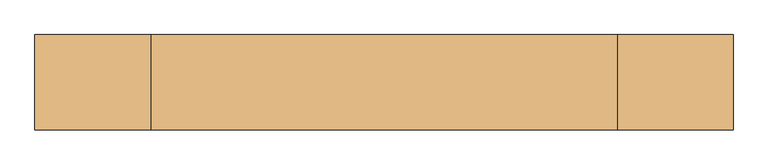
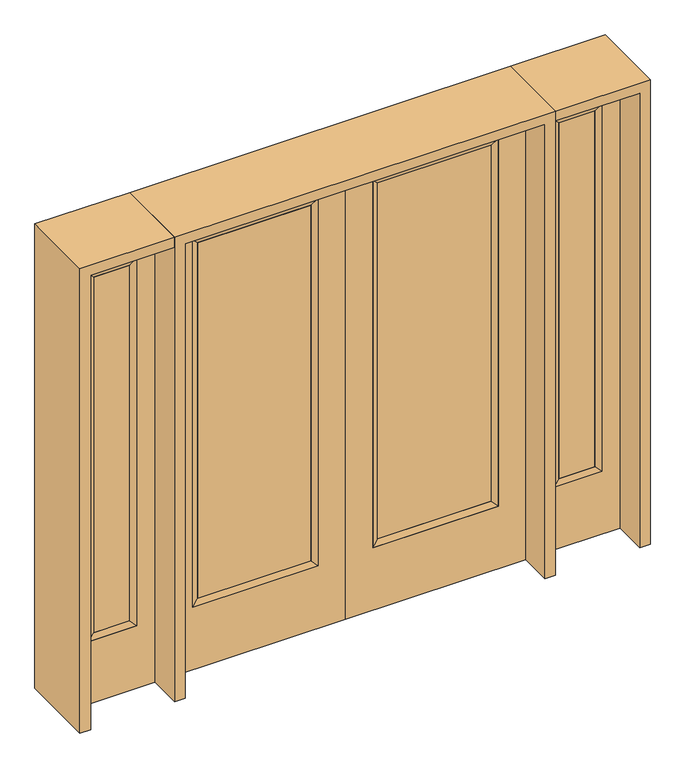
"""IFC4 building model written with IfcOpenShell, lengths in millimetres: door geometry."""

from ifc_helpers import new_model, si_unit, frame, origin, place, context, project, spatial, polyline, outline, extrude, faceted_brep, source, transform, mapped, element, save


def door_0c972592(model_context):
    return source(origin(), model_context, "Body", "SolidModel", [
        extrude(outline(polyline([(140.8176, -12.7039749), (140.8176, 14.2875), (621.1824, 14.2875), (621.1824, -12.7039749), (140.8176, -12.7039749)])), frame((0.0, 0.0, 304.8), z_axis=(0.0, 0.0, 1.0), x_axis=(1.0, 0.0, 0.0)), (0.0, 0.0, 1.0), 1590.675),
        faceted_brep([(140.8176, 14.2875, 1895.475), (140.8176, 14.2875, 304.8), (115.4176, 22.225, 279.4), (115.4176, 22.225, 1920.875), (115.4176, -22.225, 279.4), (115.4176, -22.225, 1920.875), (621.1824, 14.2875, 304.8), (646.5824, 22.225, 279.4), (140.8176, -12.7039749, 1895.475), (140.8176, -12.7039749, 304.8), (621.1824, -12.7039749, 304.8), (646.5824, -22.225, 279.4), (621.1824, 14.2875, 1895.475), (646.5824, 22.225, 1920.875), (621.1824, -12.7039749, 1895.475), (646.5824, -22.225, 1920.875)], [[[0, 1, 2, 3]], [[3, 2, 4, 5]], [[1, 6, 7, 2]], [[8, 9, 1, 0]], [[9, 10, 6, 1]], [[5, 4, 9, 8]], [[4, 11, 10, 9]], [[2, 7, 11, 4]], [[6, 12, 13, 7]], [[10, 14, 12, 6]], [[11, 15, 14, 10]], [[7, 13, 15, 11]], [[12, 0, 3, 13]], [[14, 8, 0, 12]], [[15, 5, 8, 14]], [[13, 3, 5, 15]]]),
        extrude(outline(polyline([(0.0, 762.0), (2032.0, 762.0), (2032.0, 0.0), (0.0, 0.0), (0.0, 762.0)]), holes=[polyline([(279.4, 646.5824), (279.4, 115.4176), (1920.875, 115.4176), (1920.875, 646.5824), (279.4, 646.5824)])]), frame((0.0, -22.225, 0.0), z_axis=(0.0, 1.0, 0.0), x_axis=(0.0, 0.0, 1.0)), (0.0, 0.0, 1.0), 44.45),
        extrude(outline(polyline([(-140.8176, -12.7039749), (-621.1824, -12.7039749), (-621.1824, 14.2875), (-140.8176, 14.2875), (-140.8176, -12.7039749)])), frame((0.0, 0.0, 304.8), z_axis=(0.0, 0.0, 1.0), x_axis=(1.0, 0.0, 0.0)), (0.0, 0.0, 1.0), 1590.675),
        faceted_brep([(-140.8176, 14.2875, 1895.475), (-115.4176, 22.225, 1920.875), (-115.4176, 22.225, 279.4), (-140.8176, 14.2875, 304.8), (-115.4176, -22.225, 1920.875), (-115.4176, -22.225, 279.4), (-646.5824, 22.225, 279.4), (-621.1824, 14.2875, 304.8), (-140.8176, -12.7039749, 1895.475), (-140.8176, -12.7039749, 304.8), (-621.1824, -12.7039749, 304.8), (-646.5824, -22.225, 279.4), (-646.5824, 22.225, 1920.875), (-621.1824, 14.2875, 1895.475), (-621.1824, -12.7039749, 1895.475), (-646.5824, -22.225, 1920.875)], [[[0, 1, 2, 3]], [[1, 4, 5, 2]], [[3, 2, 6, 7]], [[8, 0, 3, 9]], [[9, 3, 7, 10]], [[4, 8, 9, 5]], [[5, 9, 10, 11]], [[2, 5, 11, 6]], [[7, 6, 12, 13]], [[10, 7, 13, 14]], [[11, 10, 14, 15]], [[6, 11, 15, 12]], [[13, 12, 1, 0]], [[14, 13, 0, 8]], [[15, 14, 8, 4]], [[12, 15, 4, 1]]]),
        extrude(outline(polyline([(0.0, -762.0), (0.0, 0.0), (2032.0, 0.0), (2032.0, -762.0), (0.0, -762.0)]), holes=[polyline([(279.4, -646.5824), (1920.875, -646.5824), (1920.875, -115.4176), (279.4, -115.4176), (279.4, -646.5824)])]), frame((0.0, -22.225, 0.0), z_axis=(0.0, 1.0, 0.0), x_axis=(0.0, 0.0, 1.0)), (0.0, 0.0, 1.0), 44.45),
        faceted_brep([(882.65, 20.6375, 1920.875), (882.65, 20.6375, 279.4), (882.65, -20.6375, 279.4), (882.65, -20.6375, 1920.875), (908.05, -12.7, 304.8), (908.05, -12.7, 1895.475), (1085.85, 20.6375, 279.4), (1085.85, -20.6375, 279.4), (908.05, 12.7, 1895.475), (908.05, 12.7, 304.8), (1060.45, 12.7, 304.8), (1060.45, -12.7, 304.8), (1085.85, 20.6375, 1920.875), (1085.85, -20.6375, 1920.875), (1060.45, 12.7, 1895.475), (1060.45, -12.7, 1895.475)], [[[0, 1, 2, 3]], [[3, 2, 4, 5]], [[1, 6, 7, 2]], [[8, 9, 1, 0]], [[9, 10, 6, 1]], [[5, 4, 9, 8]], [[4, 11, 10, 9]], [[2, 7, 11, 4]], [[6, 12, 13, 7]], [[10, 14, 12, 6]], [[11, 15, 14, 10]], [[7, 13, 15, 11]], [[12, 0, 3, 13]], [[14, 8, 0, 12]], [[15, 5, 8, 14]], [[13, 3, 5, 15]]]),
        extrude(outline(polyline([(0.0, 1162.05), (2032.0, 1162.05), (2032.0, 806.45), (0.0, 806.45), (0.0, 1162.05)]), holes=[polyline([(1920.875, 882.65), (1920.875, 1085.85), (279.4, 1085.85), (279.4, 882.65), (1920.875, 882.65)])]), frame((0.0, -20.6375, 0.0), z_axis=(0.0, 1.0, 0.0), x_axis=(0.0, 0.0, 1.0)), (0.0, 0.0, 1.0), 41.275),
        extrude(outline(polyline([(908.05, -12.7), (908.05, 12.7), (1060.45, 12.7), (1060.45, -12.7), (908.05, -12.7)])), frame((0.0, 0.0, 304.8), z_axis=(0.0, 0.0, 1.0), x_axis=(1.0, 0.0, 0.0)), (0.0, 0.0, 1.0), 1590.675),
        faceted_brep([(-882.65, 20.6375, 1920.875), (-882.65, -20.6375, 1920.875), (-882.65, -20.6375, 279.4), (-882.65, 20.6375, 279.4), (-908.05, -12.7, 1895.475), (-908.05, -12.7, 304.8), (-1085.85, -20.6375, 279.4), (-1085.85, 20.6375, 279.4), (-908.05, 12.7, 1895.475), (-908.05, 12.7, 304.8), (-1060.45, 12.7, 304.8), (-1060.45, -12.7, 304.8), (-1085.85, -20.6375, 1920.875), (-1085.85, 20.6375, 1920.875), (-1060.45, 12.7, 1895.475), (-1060.45, -12.7, 1895.475)], [[[0, 1, 2, 3]], [[1, 4, 5, 2]], [[3, 2, 6, 7]], [[8, 0, 3, 9]], [[9, 3, 7, 10]], [[4, 8, 9, 5]], [[5, 9, 10, 11]], [[2, 5, 11, 6]], [[7, 6, 12, 13]], [[10, 7, 13, 14]], [[11, 10, 14, 15]], [[6, 11, 15, 12]], [[13, 12, 1, 0]], [[14, 13, 0, 8]], [[15, 14, 8, 4]], [[12, 15, 4, 1]]]),
        extrude(outline(polyline([(0.0, -1162.05), (0.0, -806.45), (2032.0, -806.45), (2032.0, -1162.05), (0.0, -1162.05)]), holes=[polyline([(1920.875, -882.65), (279.4, -882.65), (279.4, -1085.85), (1920.875, -1085.85), (1920.875, -882.65)])]), frame((0.0, -20.6375, 0.0), z_axis=(0.0, 1.0, 0.0), x_axis=(0.0, 0.0, 1.0)), (0.0, 0.0, 1.0), 41.275),
        extrude(outline(polyline([(-908.05, -12.7), (-1060.45, -12.7), (-1060.45, 12.7), (-908.05, 12.7), (-908.05, -12.7)])), frame((0.0, 0.0, 304.8), z_axis=(0.0, 0.0, 1.0), x_axis=(1.0, 0.0, 0.0)), (0.0, 0.0, 1.0), 1590.675),
        extrude(outline(polyline([(2032.0, -806.45), (2076.45, -806.45), (2076.45, -1206.5), (0.0, -1206.5), (0.0, -1162.05), (2032.0, -1162.05), (2032.0, -806.45)])), frame((0.0, -165.1, 0.0), z_axis=(0.0, 1.0, 0.0), x_axis=(0.0, 0.0, 1.0)), (0.0, 0.0, 1.0), 330.2),
        extrude(outline(polyline([(2076.45, -806.45), (0.0, -806.45), (0.0, -762.0), (2032.0, -762.0), (2032.0, 762.0), (0.0, 762.0), (0.0, 806.45), (2076.45, 806.45), (2076.45, -806.45)])), frame((0.0, -165.1, 0.0), z_axis=(0.0, 1.0, 0.0), x_axis=(0.0, 0.0, 1.0)), (0.0, 0.0, 1.0), 330.2),
        extrude(outline(polyline([(0.0, 1162.05), (0.0, 1206.5), (2076.45, 1206.5), (2076.45, 806.45), (2032.0, 806.45), (2032.0, 1162.05), (0.0, 1162.05)])), frame((0.0, -165.1, 0.0), z_axis=(0.0, 1.0, 0.0), x_axis=(0.0, 0.0, 1.0)), (0.0, 0.0, 1.0), 330.2),
    ])


if __name__ == "__main__":
    model = new_model("IFC4")
    model_context = context("Model", 3, world=origin())
    ifc_project = project(units=[si_unit("LENGTHUNIT", "METRE", prefix="MILLI")], contexts=[model_context])
    site = spatial("IfcSite", under=ifc_project)
    building = spatial("IfcBuilding", under=site)
    placement = place(None, origin())
    door_shape = door_0c972592(model_context)
    element("IfcDoor", 1, at=placement, inside=building, context=model_context, shape_type="MappedRepresentation", body=[
        mapped(door_shape, transform((0.0, 0.0, 0.0), x_axis=(1.0, 0.0, 0.0), y_axis=(0.0, 1.0, 0.0), z_axis=(0.0, 0.0, 1.0))),
    ])
    save(model, "model.ifc")
